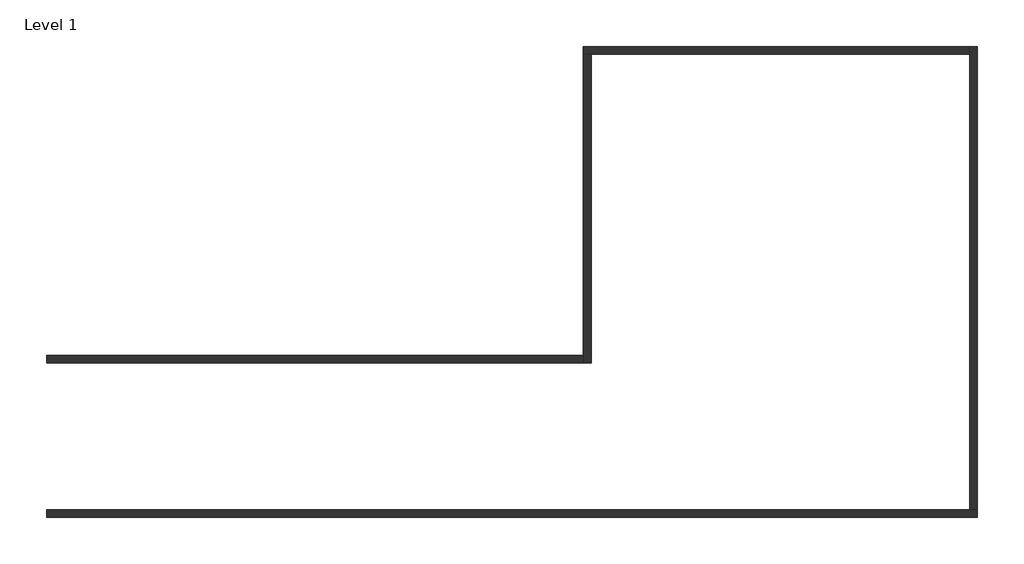
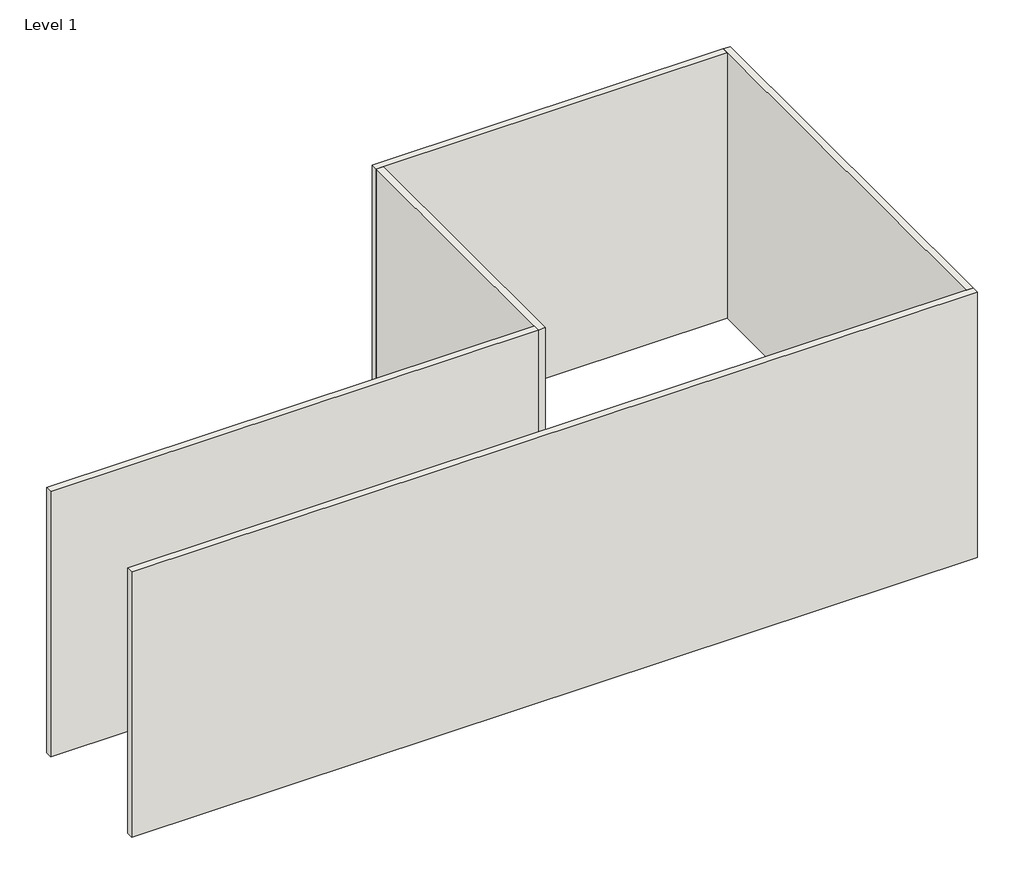
# One storey: 5 walls.
"""IFC4 building model written with IfcOpenShell, lengths in millimetres."""

from ifc_helpers import new_model, si_unit, origin, origin_with_axes, place, context, project, spatial, polyline, outline, extrude, faceted_brep, element, save

model = new_model("IFC4")

# Units and contexts
model_context = context("Model", 3, world=origin())
ifc_project = project(units=[si_unit("LENGTHUNIT", "METRE", prefix="MILLI")], contexts=[model_context])

# Site, building, storey
site = spatial("IfcSite", under=ifc_project)
building = spatial("IfcBuilding", under=site)
storey = spatial("IfcBuildingStorey", under=building, Name="Level 1", Elevation=0.0)

# Walls
placement = place(None, origin())
element("IfcWall", 1, ObjectType="Generic - 200mm", at=placement, inside=storey, context=model_context, shape_type="Brep", body=[
    faceted_brep([(-13341.9290462, -6860.2045002, 0.0), (10758.0709538, -6860.2045002, 0.0), (10758.0709538, -6860.2045002, 8000.0), (-13341.9290462, -6860.2045002, 8000.0), (-13341.9290462, -6660.2045002, 0.0), (-13341.9290462, -6660.2045002, 8000.0), (10558.0709538, -6660.2045002, 8000.0), (10758.0709538, -6660.2045002, 8000.0), (10758.0709538, -6660.2045002, 0.0), (10558.0709538, -6660.2045002, 0.0)], [[[0, 1, 2, 3]], [[4, 5, 6, 7, 8, 9]], [[1, 0, 4, 9, 8]], [[3, 2, 7, 6, 5]], [[0, 3, 5, 4]], [[2, 1, 8, 7]]]),
])
element("IfcWall", 2, ObjectType="Generic - 200mm", at=placement, inside=storey, context=model_context, shape_type="Brep", body=[
    faceted_brep([(10758.0709538, -6660.2045002, 0.0), (10758.0709538, 5339.7954998, 0.0), (10758.0709538, 5339.7954998, 8000.0), (10758.0709538, -6660.2045002, 8000.0), (10558.0709538, -6660.2045002, 0.0), (10558.0709538, -6660.2045002, 8000.0), (10558.0709538, 5139.7954998, 8000.0), (10558.0709538, 5339.7954998, 8000.0), (10558.0709538, 5339.7954998, 0.0), (10558.0709538, 5139.7954998, 0.0)], [[[0, 1, 2, 3]], [[4, 5, 6, 7, 8, 9]], [[1, 0, 4, 9, 8]], [[3, 2, 7, 6, 5]], [[0, 3, 5, 4]], [[2, 1, 8, 7]]]),
])
element("IfcWall", 3, ObjectType="Generic - 200mm", at=placement, inside=storey, context=model_context, shape_type="Brep", body=[
    faceted_brep([(10558.0709538, 5339.7954998, 0.0), (558.0709538, 5339.7954998, 0.0), (558.0709538, 5339.7954998, 8000.0), (10558.0709538, 5339.7954998, 8000.0), (10558.0709538, 5139.7954998, 0.0), (10558.0709538, 5139.7954998, 8000.0), (758.0709538, 5139.7954998, 8000.0), (558.0709538, 5139.7954998, 8000.0), (558.0709538, 5139.7954998, 0.0), (758.0709538, 5139.7954998, 0.0)], [[[0, 1, 2, 3]], [[4, 5, 6, 7, 8, 9]], [[1, 0, 4, 9, 8]], [[3, 2, 7, 6, 5]], [[0, 3, 5, 4]], [[2, 1, 8, 7]]]),
])
element("IfcWall", 4, ObjectType="Generic - 200mm", at=placement, inside=storey, context=model_context, shape_type="Brep", body=[
    faceted_brep([(558.0709538, 5139.7954998, 0.0), (558.0709538, -2660.2045002, 0.0), (558.0709538, -2860.2045002, 0.0), (558.0709538, -2860.2045002, 8000.0), (558.0709538, -2660.2045002, 8000.0), (558.0709538, 5139.7954998, 8000.0), (758.0709538, 5139.7954998, 0.0), (758.0709538, 5139.7954998, 8000.0), (758.0709538, -2860.2045002, 8000.0), (758.0709538, -2860.2045002, 0.0)], [[[0, 1, 2, 3, 4, 5]], [[6, 7, 8, 9]], [[2, 1, 0, 6, 9]], [[5, 4, 3, 8, 7]], [[0, 5, 7, 6]], [[3, 2, 9, 8]]]),
])
element("IfcWall", 5, ObjectType="Generic - 200mm", at=placement, inside=storey, context=model_context, shape_type="SweptSolid", body=[
    extrude(outline(polyline([(-13341.9290462, -2660.2045002), (558.0709538, -2660.2045002), (558.0709538, -2860.2045002), (-13341.9290462, -2860.2045002), (-13341.9290462, -2660.2045002)])), origin_with_axes(), (0.0, 0.0, 1.0), 8000.0),
])

save(model, "model.ifc")
